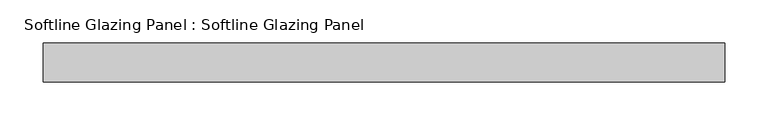
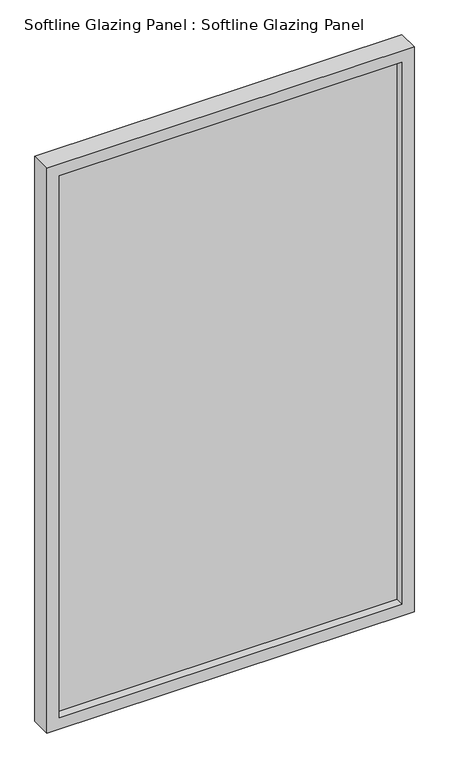
"""IFC4 building model written with IfcOpenShell, lengths in millimetres: plate geometry, Softline Glazing Panel : Softline Glazing Panel."""

from ifc_helpers import new_model, si_unit, frame, origin, place, context, project, spatial, polyline, outline, extrude, faceted_brep, source, transform, mapped, element, save


def softline_glazing_panel_softline_glazing_panel_02254b89(model_context):
    return source(origin(), model_context, "Body", "SolidModel", [
        extrude(outline(polyline([(378.4166667, 4.0), (378.4166667, -4.0), (-378.4166667, -4.0), (-378.4166667, 4.0), (378.4166667, 4.0)])), frame((0.0, 0.0, 16.0), z_axis=(0.0, 0.0, 1.0), x_axis=(1.0, 0.0, 0.0)), (0.0, 0.0, 1.0), 1251.0),
        faceted_brep([(368.4166667, 4.0, 26.0), (368.4166667, 22.5, 26.0), (-368.4166667, 22.5, 26.0), (-368.4166667, 4.0, 26.0), (378.4166667, -4.0, 16.0), (378.4166667, 4.0, 16.0), (-378.4166667, 4.0, 16.0), (-378.4166667, -4.0, 16.0), (368.4166667, -22.5, 26.0), (368.4166667, -4.0, 26.0), (-368.4166667, -4.0, 26.0), (-368.4166667, -22.5, 26.0), (394.4166667, 22.5, 0.0), (394.4166667, -22.5, 0.0), (-394.4166667, -22.5, 0.0), (-394.4166667, 22.5, 0.0), (-368.4166667, 22.5, 1257.0), (-368.4166667, 4.0, 1257.0), (-378.4166667, 4.0, 1267.0), (-378.4166667, -4.0, 1267.0), (-368.4166667, -4.0, 1257.0), (-368.4166667, -22.5, 1257.0), (-394.4166667, -22.5, 1283.0), (-394.4166667, 22.5, 1283.0), (368.4166667, 22.5, 1257.0), (368.4166667, 4.0, 1257.0), (378.4166667, 4.0, 1267.0), (378.4166667, -4.0, 1267.0), (368.4166667, -4.0, 1257.0), (368.4166667, -22.5, 1257.0), (394.4166667, -22.5, 1283.0), (394.4166667, 22.5, 1283.0)], [[[0, 1, 2, 3]], [[4, 5, 6, 7]], [[8, 9, 10, 11]], [[12, 13, 14, 15]], [[3, 2, 16, 17]], [[7, 6, 18, 19]], [[11, 10, 20, 21]], [[15, 14, 22, 23]], [[17, 16, 24, 25]], [[19, 18, 26, 27]], [[21, 20, 28, 29]], [[23, 22, 30, 31]], [[15, 23, 31, 12], [1, 24, 16, 2]], [[25, 24, 1, 0]], [[5, 26, 18, 6], [3, 17, 25, 0]], [[27, 26, 5, 4]], [[7, 19, 27, 4], [9, 28, 20, 10]], [[29, 28, 9, 8]], [[13, 30, 22, 14], [11, 21, 29, 8]], [[31, 30, 13, 12]]]),
    ])


if __name__ == "__main__":
    model = new_model("IFC4")
    model_context = context("Model", 3, world=origin())
    ifc_project = project(units=[si_unit("LENGTHUNIT", "METRE", prefix="MILLI")], contexts=[model_context])
    site = spatial("IfcSite", under=ifc_project)
    building = spatial("IfcBuilding", under=site)
    placement = place(None, origin())
    softline_glazing_panel_softline_glazing_panel_shape = softline_glazing_panel_softline_glazing_panel_02254b89(model_context)
    element("IfcPlate", 1, ObjectType="Softline Glazing Panel : Softline Glazing Panel", at=placement, inside=building, context=model_context, shape_type="MappedRepresentation", body=[
        mapped(softline_glazing_panel_softline_glazing_panel_shape, transform((0.0, 0.0, 0.0), x_axis=(1.0, 0.0, 0.0), y_axis=(0.0, 1.0, 0.0), z_axis=(0.0, 0.0, 1.0))),
    ])
    save(model, "model.ifc")
